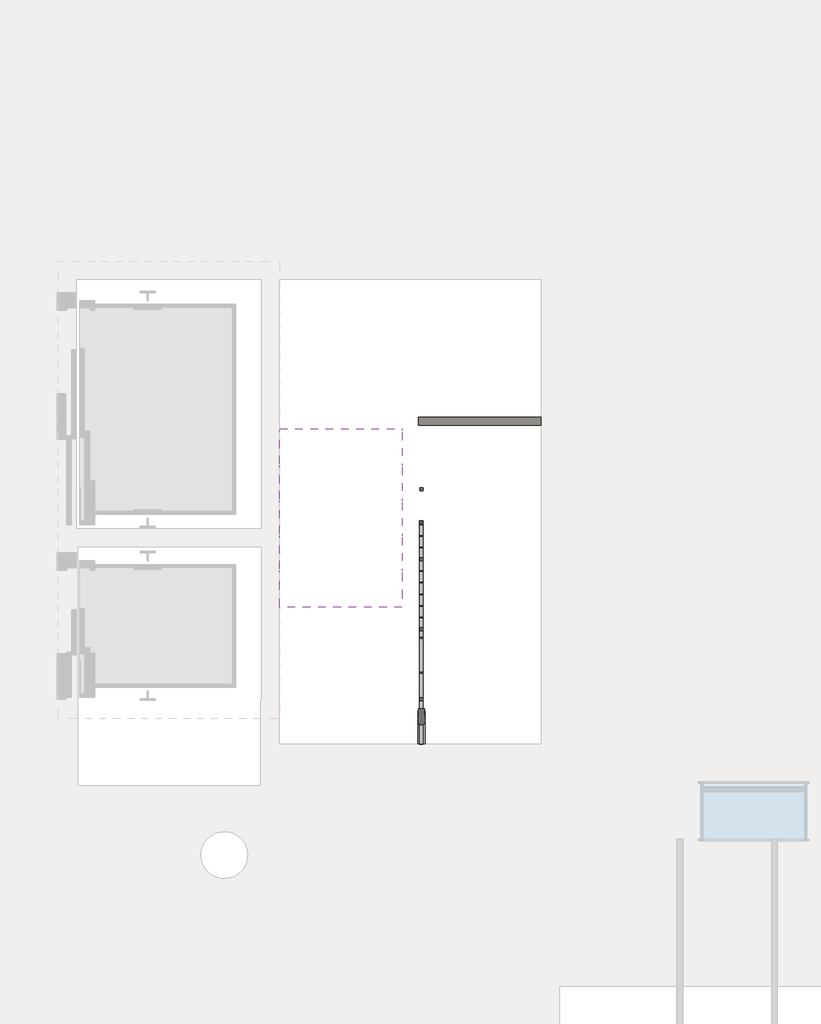
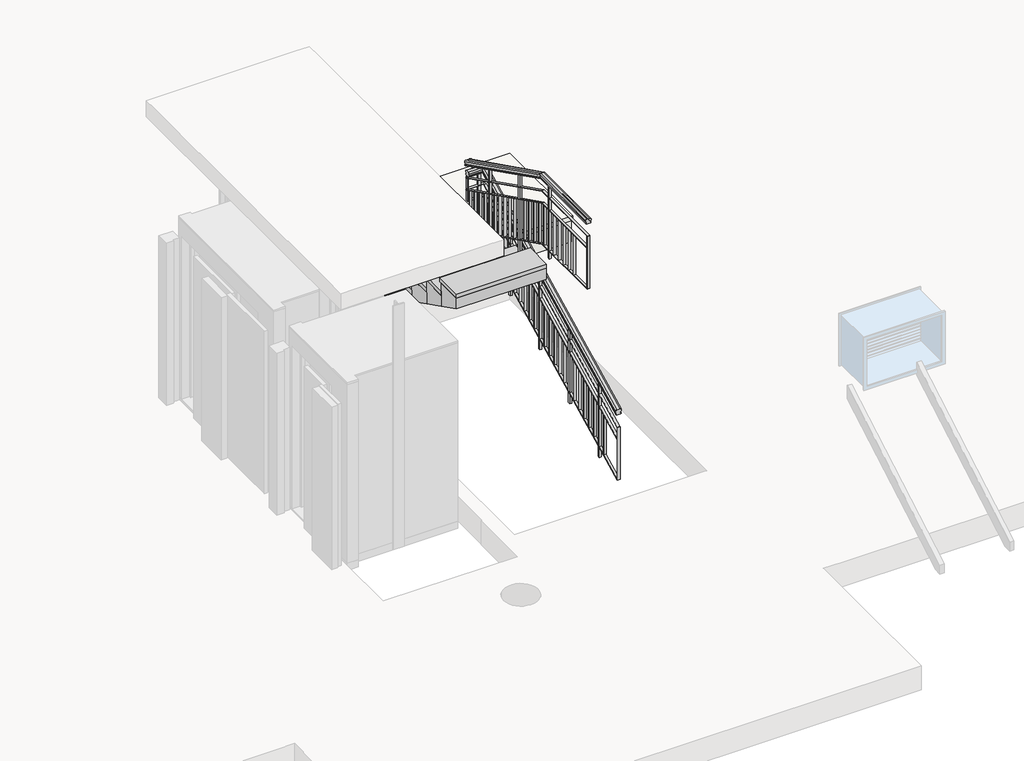
# One storey, part 3 of 6: 1 railing, 1 slab, 1 stair flight.
"""IFC4 building model written with IfcOpenShell, lengths in millimetres."""

from ifc_helpers import new_model, si_unit, frame, origin, place, context, project, spatial, polyline, circle_curve, ellipse_curve, outline, extrude, faceted_brep, element, save
from ifc_brep_helpers import plane_surface, cylinder_surface, advanced_brep

model = new_model("IFC4")

# Units and contexts
model_context = context("Model", 3, world=origin())
ifc_project = project(units=[si_unit("LENGTHUNIT", "METRE", prefix="MILLI")], contexts=[model_context])

# Site, building, storey
site = spatial("IfcSite", under=ifc_project)
building = spatial("IfcBuilding", under=site)
storey = spatial("IfcBuildingStorey", under=building, Elevation=36000.0)

# Railing
placement = place(None, origin())
element("IfcRailing", 1, at=placement, inside=storey, context=model_context, shape_type="SolidModel", body=[
    advanced_brep(
    [(-8330.662487, -9711.860294, 37050.0), (-8279.862487, -9711.860294, 37050.0), (-8279.862487, -9711.860294, 37057.4115128), (-8279.862487, -9711.860294, 37065.9140516), (-8279.862487, -9711.860294, 37071.2985475), (-8274.8285181, -9711.860294, 37100.5649186), (-8287.3, -9711.860294, 37117.4454004), (-8323.224974, -9711.860294, 37117.4454004), (-8335.6964559, -9711.860294, 37100.5649186), (-8330.662487, -9711.860294, 37071.2985475), (-8330.662487, -9711.860294, 37065.9140516), (-8330.662487, -9711.860294, 37057.4115128), (-8330.662487, -7017.785268, 38397.037513), (-8330.662487, -7017.785268, 38404.4490258), (-8330.662487, -7017.785268, 38412.9515647), (-8330.662487, -7017.785268, 38418.3360605), (-8335.6964559, -7017.785268, 38447.6024316), (-8323.224974, -7017.785268, 38464.4829134), (-8287.3, -7017.785268, 38464.4829134), (-8274.8285181, -7017.785268, 38447.6024316), (-8279.862487, -7017.785268, 38418.3360605), (-8279.862487, -7017.785268, 38412.9515647), (-8279.862487, -7017.785268, 38404.4490258), (-8279.862487, -7017.785268, 38397.037513)],
    [
        (0, 1),
        (1, 2),
        (2, 3, ellipse_curve(frame((-8279.862487, -9711.860294, 37061.6627822), z_axis=(0.0, -1.0, 0.0), x_axis=(0.0, 0.0, -1.0)), 4.2512694, 3.802451)),
        (3, 4),
        (4, 5),
        (5, 6, ellipse_curve(frame((-8287.3, -9711.860294, 37103.2463687), z_axis=(0.0, -1.0, 0.0), x_axis=(0.0, 0.0, -1.0)), 14.1990317, 12.7)),
        (6, 7),
        (7, 8, ellipse_curve(frame((-8323.224974, -9711.860294, 37103.2463687), z_axis=(0.0, -1.0, 0.0), x_axis=(0.0, 0.0, -1.0)), 14.1990317, 12.7)),
        (8, 9),
        (9, 10),
        (10, 11, ellipse_curve(frame((-8330.662487, -9711.860294, 37061.6627822), z_axis=(0.0, -1.0, 0.0), x_axis=(0.0, 0.0, -1.0)), 4.2512694, 3.802451)),
        (11, 0),
        (12, 13),
        (13, 14, ellipse_curve(frame((-8330.662487, -7017.785268, 38408.7002952), z_axis=(0.0, 1.0, 0.0), x_axis=(0.0, 0.0, -1.0)), 4.2512694, 3.802451)),
        (14, 15),
        (15, 16),
        (16, 17, ellipse_curve(frame((-8323.224974, -7017.785268, 38450.2838817), z_axis=(0.0, 1.0, 0.0), x_axis=(0.0, 0.0, -1.0)), 14.1990317, 12.7)),
        (17, 18),
        (18, 19, ellipse_curve(frame((-8287.3, -7017.785268, 38450.2838817), z_axis=(0.0, 1.0, 0.0), x_axis=(0.0, 0.0, -1.0)), 14.1990317, 12.7)),
        (19, 20),
        (20, 21),
        (21, 22, ellipse_curve(frame((-8279.862487, -7017.785268, 38408.7002952), z_axis=(0.0, 1.0, 0.0), x_axis=(0.0, 0.0, -1.0)), 4.2512694, 3.802451)),
        (22, 23),
        (23, 12),
        (0, 12),
        (23, 1),
        (22, 2),
        (21, 3),
        (20, 4),
        (19, 5),
        (18, 6),
        (17, 7),
        (16, 8),
        (15, 9),
        (14, 10),
        (13, 11),
    ],
    [
        plane_surface(frame((-8305.262487, -9711.860294, 37050.0), z_axis=(0.0, -1.0, 0.0), x_axis=(0.0, 0.0, 1.0))),
        plane_surface(frame((-8305.262487, -7017.785268, 38397.037513), z_axis=(0.0, 1.0, 0.0), x_axis=(0.0, 0.0, -1.0))),
        plane_surface(frame((-8330.662487, -9711.860294, 37050.0), z_axis=(0.0, 0.4472135954999575, -0.8944271909999161), x_axis=(0.0, 0.8944271909999161, 0.4472135954999575))),
        plane_surface(frame((-8279.862487, -9711.860294, 37050.0), z_axis=(1.0000000000000002, 0.0, 0.0), x_axis=(0.0, 0.8944271909999156, 0.4472135954999587))),
        cylinder_surface(frame((-8279.862487, -9716.5254069, 37059.3302258), z_axis=(0.0, -0.8944271909999159, -0.4472135954999581), x_axis=(-1.0, 0.0, 0.0)), 3.802451),
        plane_surface(frame((-8279.862487, -9711.860294, 37065.9140516), z_axis=(1.0, 0.0, 0.0), x_axis=(0.0, 0.8944271909999161, 0.4472135954999575))),
        plane_surface(frame((-8279.862487, -9711.860294, 37071.2985475), z_axis=(0.9820064469806699, 0.08445512191501503, -0.1689102438300329), x_axis=(0.0, 0.8944271909999156, 0.4472135954999587))),
        cylinder_surface(frame((-8287.3, -9733.1588415, 37092.597095), z_axis=(0.0, -0.8944271909999159, -0.4472135954999581), x_axis=(-1.0, 0.0, 0.0)), 12.7),
        plane_surface(frame((-8287.3, -9711.860294, 37117.4454004), z_axis=(0.0, -0.4472135954999575, 0.8944271909999161), x_axis=(0.0, 0.8944271909999161, 0.4472135954999575))),
        cylinder_surface(frame((-8323.224974, -9733.1588415, 37092.597095), z_axis=(0.0, -0.8944271909999159, -0.4472135954999581), x_axis=(-1.0, 0.0, 0.0)), 12.7),
        plane_surface(frame((-8335.6964559, -9711.860294, 37100.5649186), z_axis=(-0.9820064469806685, 0.08445512191501992, -0.16891024383003686), x_axis=(0.0, 0.8944271909999161, 0.4472135954999575))),
        plane_surface(frame((-8330.662487, -9711.860294, 37071.2985475), z_axis=(-1.0000000000000002, 0.0, 0.0), x_axis=(0.0, 0.8944271909999156, 0.4472135954999587))),
        cylinder_surface(frame((-8330.662487, -9716.5254069, 37059.3302258), z_axis=(0.0, -0.8944271909999159, -0.4472135954999581), x_axis=(-1.0, 0.0, 0.0)), 3.802451),
        plane_surface(frame((-8330.662487, -9711.860294, 37057.4115128), z_axis=(-1.0000000000000002, 0.0, 0.0), x_axis=(0.0, 0.8944271909999156, 0.4472135954999587))),
    ],
    [
        (0, [[1, 2, 3, 4, 5, 6, 7, 8, 9, 10, 11, 12]]),
        (1, [[13, 14, 15, 16, 17, 18, 19, 20, 21, 22, 23, 24]]),
        (2, [[-1, 25, -24, 26]]),
        (3, [[-2, -26, -23, 27]]),
        (4, [[-3, -27, -22, 28]]),
        (5, [[-4, -28, -21, 29]]),
        (6, [[-5, -29, -20, 30]]),
        (7, [[-6, -30, -19, 31]]),
        (8, [[-7, -31, -18, 32]]),
        (9, [[-8, -32, -17, 33]]),
        (10, [[-9, -33, -16, 34]]),
        (11, [[-10, -34, -15, 35]]),
        (12, [[-11, -35, -14, 36]]),
        (13, [[-12, -36, -13, -25]]),
    ],
),
    advanced_brep(
    [(-8274.6, -7012.522781, 38400.0), (-8274.6, -6961.722781, 38400.0), (-8274.6, -6961.722781, 38406.6290586), (-8274.6, -6961.722781, 38414.2339605), (-8274.6, -6961.722781, 38419.05), (-8274.6, -6956.6888122, 38445.2266381), (-8274.6, -6969.160294, 38460.325), (-8274.6, -7005.085268, 38460.325), (-8274.6, -7017.5567499, 38445.2266381), (-8274.6, -7012.522781, 38419.05), (-8274.6, -7012.522781, 38414.2339605), (-8274.6, -7012.522781, 38406.6290586), (-8494.737513, -7012.522781, 38400.0), (-8494.737513, -7012.522781, 38406.6290586), (-8494.737513, -7012.522781, 38414.2339605), (-8494.737513, -7012.522781, 38419.05), (-8494.737513, -7017.5567499, 38445.2266381), (-8494.737513, -7005.085268, 38460.325), (-8494.737513, -6969.160294, 38460.325), (-8494.737513, -6956.6888122, 38445.2266381), (-8494.737513, -6961.722781, 38419.05), (-8494.737513, -6961.722781, 38414.2339605), (-8494.737513, -6961.722781, 38406.6290586), (-8494.737513, -6961.722781, 38400.0)],
    [
        (0, 1),
        (1, 2),
        (2, 3, circle_curve(frame((-8274.6, -6961.722781, 38410.4315095), z_axis=(1.0, 0.0, 0.0), x_axis=(0.0, -1.0, 0.0)), 3.802451)),
        (3, 4),
        (4, 5),
        (5, 6, circle_curve(frame((-8274.6, -6969.160294, 38447.625), z_axis=(1.0, 0.0, 0.0), x_axis=(0.0, -1.0, 0.0)), 12.7)),
        (6, 7),
        (7, 8, circle_curve(frame((-8274.6, -7005.085268, 38447.625), z_axis=(1.0, 0.0, 0.0), x_axis=(0.0, -1.0, 0.0)), 12.7)),
        (8, 9),
        (9, 10),
        (10, 11, circle_curve(frame((-8274.6, -7012.522781, 38410.4315095), z_axis=(1.0, 0.0, 0.0), x_axis=(0.0, -1.0, 0.0)), 3.802451)),
        (11, 0),
        (12, 13),
        (13, 14, circle_curve(frame((-8494.737513, -7012.522781, 38410.4315095), z_axis=(-1.0, 0.0, 0.0), x_axis=(0.0, -1.0, 0.0)), 3.802451)),
        (14, 15),
        (15, 16),
        (16, 17, circle_curve(frame((-8494.737513, -7005.085268, 38447.625), z_axis=(-1.0, 0.0, 0.0), x_axis=(0.0, -1.0, 0.0)), 12.7)),
        (17, 18),
        (18, 19, circle_curve(frame((-8494.737513, -6969.160294, 38447.625), z_axis=(-1.0, 0.0, 0.0), x_axis=(0.0, -1.0, 0.0)), 12.7)),
        (19, 20),
        (20, 21),
        (21, 22, circle_curve(frame((-8494.737513, -6961.722781, 38410.4315095), z_axis=(-1.0, 0.0, 0.0), x_axis=(0.0, -1.0, 0.0)), 3.802451)),
        (22, 23),
        (23, 12),
        (0, 12),
        (23, 1),
        (22, 2),
        (21, 3),
        (20, 4),
        (19, 5),
        (18, 6),
        (17, 7),
        (16, 8),
        (15, 9),
        (14, 10),
        (13, 11),
    ],
    [
        plane_surface(frame((-8274.6, -6987.122781, 38400.0), z_axis=(1.0, 0.0, 0.0), x_axis=(0.0, 1.0, 0.0))),
        plane_surface(frame((-8494.737513, -6987.122781, 38400.0), z_axis=(-1.0, 0.0, 0.0), x_axis=(0.0, -1.0, 0.0))),
        plane_surface(frame((-8274.6, -7012.522781, 38400.0), z_axis=(0.0, 0.0, -1.0), x_axis=(-1.0, 0.0, 0.0))),
        plane_surface(frame((-8274.6, -6961.722781, 38400.0), z_axis=(0.0, 1.0, 0.0), x_axis=(-1.0, 0.0, 0.0))),
        cylinder_surface(frame((-8274.6, -6961.722781, 38410.4315095), z_axis=(1.0, 0.0, 0.0), x_axis=(0.0, -1.0, 0.0)), 3.802451),
        plane_surface(frame((-8274.6, -6961.722781, 38414.2339605), z_axis=(0.0, 1.0, 0.0), x_axis=(-1.0, 0.0, 0.0))),
        plane_surface(frame((-8274.6, -6961.722781, 38419.05), z_axis=(0.0, 0.9820064469806695, -0.18884739365000902), x_axis=(-1.0, 0.0, 0.0))),
        cylinder_surface(frame((-8274.6, -6969.160294, 38447.625), z_axis=(1.0, 0.0, 0.0), x_axis=(0.0, -1.0, 0.0)), 12.7),
        plane_surface(frame((-8274.6, -6969.160294, 38460.325), z_axis=(0.0, 0.0, 1.0), x_axis=(-1.0, 0.0, 0.0))),
        cylinder_surface(frame((-8274.6, -7005.085268, 38447.625), z_axis=(1.0, 0.0, 0.0), x_axis=(0.0, -1.0, 0.0)), 12.7),
        plane_surface(frame((-8274.6, -7017.5567499, 38445.2266381), z_axis=(0.0, -0.9820064469806687, -0.18884739365001346), x_axis=(-1.0, 0.0, 0.0))),
        plane_surface(frame((-8274.6, -7012.522781, 38419.05), z_axis=(0.0, -1.0, 0.0), x_axis=(-1.0, 0.0, 0.0))),
        cylinder_surface(frame((-8274.6, -7012.522781, 38410.4315095), z_axis=(1.0, 0.0, 0.0), x_axis=(0.0, -1.0, 0.0)), 3.802451),
        plane_surface(frame((-8274.6, -7012.522781, 38406.6290586), z_axis=(0.0, -1.0, 0.0), x_axis=(-1.0, 0.0, 0.0))),
    ],
    [
        (0, [[1, 2, 3, 4, 5, 6, 7, 8, 9, 10, 11, 12]]),
        (1, [[13, 14, 15, 16, 17, 18, 19, 20, 21, 22, 23, 24]]),
        (2, [[-1, 25, -24, 26]]),
        (3, [[-2, -26, -23, 27]]),
        (4, [[-3, -27, -22, 28]]),
        (5, [[-4, -28, -21, 29]]),
        (6, [[-5, -29, -20, 30]]),
        (7, [[-6, -30, -19, 31]]),
        (8, [[-7, -31, -18, 32]]),
        (9, [[-8, -32, -17, 33]]),
        (10, [[-9, -33, -16, 34]]),
        (11, [[-10, -34, -15, 35]]),
        (12, [[-11, -35, -14, 36]]),
        (13, [[-12, -36, -13, -25]]),
    ],
),
    advanced_brep(
    [(-8469.337513, -6987.122781, 38537.6312435), (-8520.137513, -6987.122781, 38537.6312435), (-8520.137513, -6987.122781, 38545.0427563), (-8520.137513, -6987.122781, 38553.5452951), (-8520.137513, -6987.122781, 38558.929791), (-8525.1714819, -6987.122781, 38588.1961621), (-8512.7, -6987.122781, 38605.0766439), (-8476.775026, -6987.122781, 38605.0766439), (-8464.3035441, -6987.122781, 38588.1961621), (-8469.337513, -6987.122781, 38558.929791), (-8469.337513, -6987.122781, 38553.5452951), (-8469.337513, -6987.122781, 38545.0427563), (-8469.337513, -8511.860294, 39300.0), (-8520.137513, -8511.860294, 39300.0), (-8520.137513, -8510.2953856, 39306.6290586), (-8520.137513, -8508.5001118, 39314.2339605), (-8520.137513, -8507.3631991, 39319.05), (-8525.1714819, -8501.1837331, 39345.2266381), (-8512.7, -8497.6194933, 39360.325), (-8476.775026, -8497.6194933, 39360.325), (-8464.3035441, -8501.1837331, 39345.2266381), (-8469.337513, -8507.3631991, 39319.05), (-8469.337513, -8508.5001118, 39314.2339605), (-8469.337513, -8510.2953856, 39306.6290586), (-8469.337513, -9431.860294, 39300.0), (-8469.337513, -9431.860294, 39306.6290586), (-8469.337513, -9431.860294, 39314.2339605), (-8469.337513, -9431.860294, 39319.05), (-8464.3035441, -9431.860294, 39345.2266381), (-8476.775026, -9431.860294, 39360.325), (-8512.7, -9431.860294, 39360.325), (-8525.1714819, -9431.860294, 39345.2266381), (-8520.137513, -9431.860294, 39319.05), (-8520.137513, -9431.860294, 39314.2339605), (-8520.137513, -9431.860294, 39306.6290586), (-8520.137513, -9431.860294, 39300.0)],
    [
        (0, 1),
        (1, 2),
        (2, 3, ellipse_curve(frame((-8520.137513, -6987.122781, 38549.2940257), z_axis=(0.0, 1.0, 0.0), x_axis=(0.0, 0.0, -1.0)), 4.2512694, 3.802451)),
        (3, 4),
        (4, 5),
        (5, 6, ellipse_curve(frame((-8512.7, -6987.122781, 38590.8776122), z_axis=(0.0, 1.0, 0.0), x_axis=(0.0, 0.0, -1.0)), 14.1990317, 12.7)),
        (6, 7),
        (7, 8, ellipse_curve(frame((-8476.775026, -6987.122781, 38590.8776122), z_axis=(0.0, 1.0, 0.0), x_axis=(0.0, 0.0, -1.0)), 14.1990317, 12.7)),
        (8, 9),
        (9, 10),
        (10, 11, ellipse_curve(frame((-8469.337513, -6987.122781, 38549.2940257), z_axis=(0.0, 1.0, 0.0), x_axis=(0.0, 0.0, -1.0)), 4.2512694, 3.802451)),
        (11, 0),
        (0, 12),
        (12, 13),
        (13, 1),
        (13, 14),
        (14, 2),
        (14, 15, ellipse_curve(frame((-8520.137513, -8509.3977487, 39310.4315095), z_axis=(0.0, 0.9732489894677305, -0.22975292054735966), x_axis=(0.0, -0.2297529205473596, -0.9732489894677305)), 3.9069663, 3.802451)),
        (15, 3),
        (15, 16),
        (16, 4),
        (16, 17),
        (17, 5),
        (17, 18, ellipse_curve(frame((-8512.7, -8500.6175566, 39347.625), z_axis=(0.0, 0.9732489894677305, -0.22975292054735966), x_axis=(0.0, -0.2297529205473596, -0.9732489894677305)), 13.049076, 12.7)),
        (18, 6),
        (18, 19),
        (19, 7),
        (19, 20, ellipse_curve(frame((-8476.775026, -8500.6175566, 39347.625), z_axis=(0.0, 0.9732489894677305, -0.22975292054735966), x_axis=(0.0, -0.2297529205473596, -0.9732489894677305)), 13.049076, 12.7)),
        (20, 8),
        (20, 21),
        (21, 9),
        (21, 22),
        (22, 10),
        (22, 23, ellipse_curve(frame((-8469.337513, -8509.3977487, 39310.4315095), z_axis=(0.0, 0.9732489894677305, -0.22975292054735966), x_axis=(0.0, -0.2297529205473596, -0.9732489894677305)), 3.9069663, 3.802451)),
        (23, 11),
        (23, 12),
        (24, 25),
        (25, 26, circle_curve(frame((-8469.337513, -9431.860294, 39310.4315095), z_axis=(0.0, -1.0, 0.0), x_axis=(1.0, 0.0, 0.0)), 3.802451)),
        (26, 27),
        (27, 28),
        (28, 29, circle_curve(frame((-8476.775026, -9431.860294, 39347.625), z_axis=(0.0, -1.0, 0.0), x_axis=(1.0, 0.0, 0.0)), 12.7)),
        (29, 30),
        (30, 31, circle_curve(frame((-8512.7, -9431.860294, 39347.625), z_axis=(0.0, -1.0, 0.0), x_axis=(1.0, 0.0, 0.0)), 12.7)),
        (31, 32),
        (32, 33),
        (33, 34, circle_curve(frame((-8520.137513, -9431.860294, 39310.4315095), z_axis=(0.0, -1.0, 0.0), x_axis=(1.0, 0.0, 0.0)), 3.802451)),
        (34, 35),
        (35, 24),
        (12, 24),
        (35, 13),
        (34, 14),
        (33, 15),
        (32, 16),
        (31, 17),
        (30, 18),
        (29, 19),
        (28, 20),
        (27, 21),
        (26, 22),
        (25, 23),
    ],
    [
        plane_surface(frame((-8494.737513, -6987.122781, 38537.6312435), z_axis=(0.0, 1.0, 0.0), x_axis=(0.0, 0.0, -1.0))),
        plane_surface(frame((-8469.337513, -6987.122781, 38537.6312435), z_axis=(0.0, -0.44721359549995465, -0.8944271909999176), x_axis=(0.0, -0.8944271909999176, 0.44721359549995465))),
        plane_surface(frame((-8520.137513, -6987.122781, 38537.6312435), z_axis=(-1.0000000000000002, 0.0, 0.0), x_axis=(0.0, -0.8944271909999176, 0.44721359549995465))),
        cylinder_surface(frame((-8520.137513, -6982.4576681, 38546.9614693), z_axis=(0.0, 0.8944271909999173, -0.44721359549995515), x_axis=(1.0, 0.0, 0.0)), 3.802451),
        plane_surface(frame((-8520.137513, -6987.122781, 38553.5452951), z_axis=(-1.0000000000000002, 0.0, 0.0), x_axis=(0.0, -0.8944271909999187, 0.4472135954999524))),
        plane_surface(frame((-8520.137513, -6987.122781, 38558.929791), z_axis=(-0.9820064469806697, -0.08445512191501378, -0.1689102438300332), x_axis=(0.0, -0.8944271909999174, 0.4472135954999549))),
        cylinder_surface(frame((-8512.7, -6965.8242335, 38580.2283385), z_axis=(0.0, 0.8944271909999173, -0.44721359549995515), x_axis=(1.0, 0.0, 0.0)), 12.7),
        plane_surface(frame((-8512.7, -6987.122781, 38605.0766439), z_axis=(0.0, 0.4472135954999539, 0.894427190999918), x_axis=(0.0, -0.894427190999918, 0.4472135954999539))),
        cylinder_surface(frame((-8476.775026, -6965.8242335, 38580.2283385), z_axis=(0.0, 0.8944271909999173, -0.44721359549995515), x_axis=(1.0, 0.0, 0.0)), 12.7),
        plane_surface(frame((-8464.3035441, -6987.122781, 38588.1961621), z_axis=(0.9820064469806685, -0.0844551219150206, -0.1689102438300369), x_axis=(0.0, -0.8944271909999157, 0.4472135954999582))),
        plane_surface(frame((-8469.337513, -6987.122781, 38558.929791), z_axis=(1.0, 0.0, 0.0), x_axis=(0.0, -0.8944271909999174, 0.4472135954999549))),
        cylinder_surface(frame((-8469.337513, -6982.4576681, 38546.9614693), z_axis=(0.0, 0.8944271909999173, -0.44721359549995515), x_axis=(1.0, 0.0, 0.0)), 3.802451),
        plane_surface(frame((-8469.337513, -6987.122781, 38545.0427563), z_axis=(1.0, 0.0, 0.0), x_axis=(0.0, -0.8944271909999165, 0.4472135954999567))),
        plane_surface(frame((-8494.737513, -9431.860294, 39300.0), z_axis=(0.0, -1.0, 0.0), x_axis=(0.0, 0.0, -1.0))),
        plane_surface(frame((-8469.337513, -8511.860294, 39300.0), z_axis=(0.0, 0.0, -1.0), x_axis=(0.0, -1.0, 0.0))),
        plane_surface(frame((-8520.137513, -8511.860294, 39300.0), z_axis=(-1.0, 0.0, 0.0), x_axis=(0.0, -1.0, 0.0))),
        cylinder_surface(frame((-8520.137513, -8511.860294, 39310.4315095), z_axis=(0.0, 1.0, 0.0), x_axis=(1.0, 0.0, 0.0)), 3.802451),
        plane_surface(frame((-8520.137513, -8508.5001118, 39314.2339605), z_axis=(-1.0, 0.0, 0.0), x_axis=(0.0, -1.0, 0.0))),
        plane_surface(frame((-8520.137513, -8507.3631991, 39319.05), z_axis=(-0.9820064469806696, 0.0, -0.18884739365000913), x_axis=(0.0, -1.0, 0.0))),
        cylinder_surface(frame((-8512.7, -8511.860294, 39347.625), z_axis=(0.0, 1.0, 0.0), x_axis=(1.0, 0.0, 0.0)), 12.7),
        plane_surface(frame((-8512.7, -8497.6194933, 39360.325), z_axis=(0.0, 0.0, 1.0), x_axis=(0.0, -1.0, 0.0))),
        cylinder_surface(frame((-8476.775026, -8511.860294, 39347.625), z_axis=(0.0, 1.0, 0.0), x_axis=(1.0, 0.0, 0.0)), 12.7),
        plane_surface(frame((-8464.3035441, -8501.1837331, 39345.2266381), z_axis=(0.9820064469806687, 0.0, -0.18884739365001335), x_axis=(0.0, -1.0, 0.0))),
        plane_surface(frame((-8469.337513, -8507.3631991, 39319.05), z_axis=(1.0, 0.0, 0.0), x_axis=(0.0, -1.0, 0.0))),
        cylinder_surface(frame((-8469.337513, -8511.860294, 39310.4315095), z_axis=(0.0, 1.0, 0.0), x_axis=(1.0, 0.0, 0.0)), 3.802451),
        plane_surface(frame((-8469.337513, -8510.2953856, 39306.6290586), z_axis=(1.0, 0.0, 0.0), x_axis=(0.0, -1.0, 0.0))),
    ],
    [
        (0, [[1, 2, 3, 4, 5, 6, 7, 8, 9, 10, 11, 12]]),
        (1, [[-1, 13, 14, 15]]),
        (2, [[-2, -15, 16, 17]]),
        (3, [[-3, -17, 18, 19]]),
        (4, [[-4, -19, 20, 21]]),
        (5, [[-5, -21, 22, 23]]),
        (6, [[-6, -23, 24, 25]]),
        (7, [[-7, -25, 26, 27]]),
        (8, [[-8, -27, 28, 29]]),
        (9, [[-9, -29, 30, 31]]),
        (10, [[-10, -31, 32, 33]]),
        (11, [[-11, -33, 34, 35]]),
        (12, [[-12, -35, 36, -13]]),
        (13, [[37, 38, 39, 40, 41, 42, 43, 44, 45, 46, 47, 48]]),
        (14, [[-14, 49, -48, 50]]),
        (15, [[-16, -50, -47, 51]]),
        (16, [[-18, -51, -46, 52]]),
        (17, [[-20, -52, -45, 53]]),
        (18, [[-22, -53, -44, 54]]),
        (19, [[-24, -54, -43, 55]]),
        (20, [[-26, -55, -42, 56]]),
        (21, [[-28, -56, -41, 57]]),
        (22, [[-30, -57, -40, 58]]),
        (23, [[-32, -58, -39, 59]]),
        (24, [[-34, -59, -38, 60]]),
        (25, [[-36, -60, -37, -49]]),
    ],
),
    faceted_brep([(-8319.6, -9711.860294, 36750.0), (-8319.6, -9711.860294, 36744.4098301), (-8289.6, -9711.860294, 36744.4098301), (-8289.6, -9711.860294, 36750.0), (-8319.6, -7011.860294, 38100.0), (-8319.6, -7010.6799541, 38095.0), (-8289.6, -7010.6799541, 38095.0), (-8289.6, -7011.860294, 38100.0), (-8319.6, -7001.460294, 38095.0), (-8319.6, -7001.460294, 38100.0), (-8492.9, -7001.460294, 38100.0), (-8497.9, -7001.460294, 38095.0), (-8289.6, -6971.460294, 38095.0), (-8497.9, -6971.460294, 38095.0), (-8289.6, -6971.460294, 38100.0), (-8492.9, -6971.460294, 38100.0), (-8492.9, -7001.460294, 38225.5294902), (-8492.9, -6971.460294, 38244.0705098), (-8497.9, -6971.460294, 38244.0705098), (-8497.9, -7001.460294, 38225.5294902)], [[[0, 1, 2, 3]], [[1, 0, 4, 5]], [[2, 1, 5, 6]], [[3, 2, 6, 7]], [[0, 3, 7, 4]], [[8, 9, 10, 11]], [[12, 8, 11, 13]], [[14, 12, 13, 15]], [[9, 14, 15, 10]], [[5, 4, 9, 8]], [[6, 5, 8, 12]], [[7, 6, 12, 14]], [[4, 7, 14, 9]], [[16, 17, 18, 19]], [[11, 10, 16, 19]], [[13, 11, 19, 18]], [[15, 13, 18, 17]], [[10, 15, 17, 16]]]),
    faceted_brep([(-8480.4, -6984.2242261, 38236.181966), (-8480.4, -6989.2242261, 38233.0917961), (-8510.4, -6989.2242261, 38233.0917961), (-8510.4, -6984.2242261, 38236.181966), (-8480.4, -8511.860294, 39000.0), (-8480.4, -8513.0406339, 38995.0), (-8510.4, -8513.0406339, 38995.0), (-8510.4, -8511.860294, 39000.0), (-8480.4, -9431.860294, 39000.0), (-8510.4, -9431.860294, 39000.0), (-8510.4, -9431.860294, 38995.0), (-8480.4, -9431.860294, 38995.0)], [[[0, 1, 2, 3]], [[1, 0, 4, 5]], [[2, 1, 5, 6]], [[3, 2, 6, 7]], [[0, 3, 7, 4]], [[8, 9, 10, 11]], [[5, 4, 8, 11]], [[6, 5, 11, 10]], [[7, 6, 10, 9]], [[4, 7, 9, 8]]]),
    faceted_brep([(-8319.6, -9711.860294, 36250.0), (-8319.6, -9711.860294, 36244.4098301), (-8289.6, -9711.860294, 36244.4098301), (-8289.6, -9711.860294, 36250.0), (-8319.6, -7011.860294, 37600.0), (-8319.6, -7010.6799541, 37595.0), (-8289.6, -7010.6799541, 37595.0), (-8289.6, -7011.860294, 37600.0), (-8319.6, -7001.460294, 37595.0), (-8319.6, -7001.460294, 37600.0), (-8492.9, -7001.460294, 37600.0), (-8497.9, -7001.460294, 37595.0), (-8289.6, -6971.460294, 37595.0), (-8497.9, -6971.460294, 37595.0), (-8289.6, -6971.460294, 37600.0), (-8492.9, -6971.460294, 37600.0), (-8492.9, -7001.460294, 37725.5294902), (-8492.9, -6971.460294, 37744.0705098), (-8497.9, -6971.460294, 37744.0705098), (-8497.9, -7001.460294, 37725.5294902)], [[[0, 1, 2, 3]], [[1, 0, 4, 5]], [[2, 1, 5, 6]], [[3, 2, 6, 7]], [[0, 3, 7, 4]], [[8, 9, 10, 11]], [[12, 8, 11, 13]], [[14, 12, 13, 15]], [[9, 14, 15, 10]], [[5, 4, 9, 8]], [[6, 5, 8, 12]], [[7, 6, 12, 14]], [[4, 7, 14, 9]], [[16, 17, 18, 19]], [[11, 10, 16, 19]], [[13, 11, 19, 18]], [[15, 13, 18, 17]], [[10, 15, 17, 16]]]),
    faceted_brep([(-8480.4, -6984.2242261, 37736.181966), (-8480.4, -6989.2242261, 37733.0917961), (-8510.4, -6989.2242261, 37733.0917961), (-8510.4, -6984.2242261, 37736.181966), (-8480.4, -8511.860294, 38500.0), (-8480.4, -8513.0406339, 38495.0), (-8510.4, -8513.0406339, 38495.0), (-8510.4, -8511.860294, 38500.0), (-8480.4, -9431.860294, 38500.0), (-8510.4, -9431.860294, 38500.0), (-8510.4, -9431.860294, 38495.0), (-8480.4, -9431.860294, 38495.0)], [[[0, 1, 2, 3]], [[1, 0, 4, 5]], [[2, 1, 5, 6]], [[3, 2, 6, 7]], [[0, 3, 7, 4]], [[8, 9, 10, 11]], [[5, 4, 8, 11]], [[6, 5, 11, 10]], [[7, 6, 10, 9]], [[4, 7, 9, 8]]]),
    faceted_brep([(-8319.6, -9711.860294, 36900.0), (-8319.6, -9711.860294, 36894.4098301), (-8289.6, -9711.860294, 36894.4098301), (-8289.6, -9711.860294, 36900.0), (-8319.6, -7011.860294, 38250.0), (-8319.6, -7010.6799541, 38245.0), (-8289.6, -7010.6799541, 38245.0), (-8289.6, -7011.860294, 38250.0), (-8319.6, -7001.460294, 38245.0), (-8319.6, -7001.460294, 38250.0), (-8492.9, -7001.460294, 38250.0), (-8497.9, -7001.460294, 38245.0), (-8289.6, -6971.460294, 38245.0), (-8497.9, -6971.460294, 38245.0), (-8289.6, -6971.460294, 38250.0), (-8492.9, -6971.460294, 38250.0), (-8492.9, -7001.460294, 38375.5294902), (-8492.9, -6971.460294, 38394.0705098), (-8497.9, -6971.460294, 38394.0705098), (-8497.9, -7001.460294, 38375.5294902)], [[[0, 1, 2, 3]], [[1, 0, 4, 5]], [[2, 1, 5, 6]], [[3, 2, 6, 7]], [[0, 3, 7, 4]], [[8, 9, 10, 11]], [[12, 8, 11, 13]], [[14, 12, 13, 15]], [[9, 14, 15, 10]], [[5, 4, 9, 8]], [[6, 5, 8, 12]], [[7, 6, 12, 14]], [[4, 7, 14, 9]], [[16, 17, 18, 19]], [[11, 10, 16, 19]], [[13, 11, 19, 18]], [[15, 13, 18, 17]], [[10, 15, 17, 16]]]),
    faceted_brep([(-8480.4, -6984.2242261, 38386.181966), (-8480.4, -6989.2242261, 38383.0917961), (-8510.4, -6989.2242261, 38383.0917961), (-8510.4, -6984.2242261, 38386.181966), (-8480.4, -8511.860294, 39150.0), (-8480.4, -8513.0406339, 39145.0), (-8510.4, -8513.0406339, 39145.0), (-8510.4, -8511.860294, 39150.0), (-8480.4, -9431.860294, 39150.0), (-8510.4, -9431.860294, 39150.0), (-8510.4, -9431.860294, 39145.0), (-8480.4, -9431.860294, 39145.0)], [[[0, 1, 2, 3]], [[1, 0, 4, 5]], [[2, 1, 5, 6]], [[3, 2, 6, 7]], [[0, 3, 7, 4]], [[8, 9, 10, 11]], [[5, 4, 8, 11]], [[6, 5, 11, 10]], [[7, 6, 10, 9]], [[4, 7, 9, 8]]]),
    extrude(outline(polyline([(-8510.4, -9148.560294), (-8480.4, -9148.560294), (-8480.4, -9153.560294), (-8510.4, -9153.560294), (-8510.4, -9148.560294)])), frame((0.0, 0.0, 38500.0), z_axis=(0.0, 0.0, 1.0), x_axis=(1.0, 0.0, 0.0)), (0.0, 0.0, 1.0), 495.0),
    extrude(outline(polyline([(-8510.4, -9048.560294), (-8480.4, -9048.560294), (-8480.4, -9053.560294), (-8510.4, -9053.560294), (-8510.4, -9048.560294)])), frame((0.0, 0.0, 38500.0), z_axis=(0.0, 0.0, 1.0), x_axis=(1.0, 0.0, 0.0)), (0.0, 0.0, 1.0), 495.0),
    extrude(outline(polyline([(-8510.4, -8948.560294), (-8480.4, -8948.560294), (-8480.4, -8953.560294), (-8510.4, -8953.560294), (-8510.4, -8948.560294)])), frame((0.0, 0.0, 38500.0), z_axis=(0.0, 0.0, 1.0), x_axis=(1.0, 0.0, 0.0)), (0.0, 0.0, 1.0), 495.0),
    extrude(outline(polyline([(-8510.4, -8848.560294), (-8480.4, -8848.560294), (-8480.4, -8853.560294), (-8510.4, -8853.560294), (-8510.4, -8848.560294)])), frame((0.0, 0.0, 38500.0), z_axis=(0.0, 0.0, 1.0), x_axis=(1.0, 0.0, 0.0)), (0.0, 0.0, 1.0), 495.0),
    extrude(outline(polyline([(-8510.4, -8748.560294), (-8480.4, -8748.560294), (-8480.4, -8753.560294), (-8510.4, -8753.560294), (-8510.4, -8748.560294)])), frame((0.0, 0.0, 38500.0), z_axis=(0.0, 0.0, 1.0), x_axis=(1.0, 0.0, 0.0)), (0.0, 0.0, 1.0), 495.0),
    extrude(outline(polyline([(-8482.9, -8638.560294), (-8482.9, -8663.560294), (-8507.9, -8663.560294), (-8507.9, -8638.560294), (-8482.9, -8638.560294)])), frame((0.0, 0.0, 38400.0), z_axis=(0.0, 0.0, 1.0), x_axis=(1.0, 0.0, 0.0)), (0.0, 0.0, 1.0), 900.0),
    extrude(outline(polyline([(-8510.4, -8548.560294), (-8480.4, -8548.560294), (-8480.4, -8553.560294), (-8510.4, -8553.560294), (-8510.4, -8548.560294)])), frame((0.0, 0.0, 38500.0), z_axis=(0.0, 0.0, 1.0), x_axis=(1.0, 0.0, 0.0)), (0.0, 0.0, 1.0), 495.0),
    extrude(outline(polyline([(-8453.560294, 38470.85), (-8453.560294, 38965.2598301), (-8448.560294, 38962.7598301), (-8448.560294, 38468.35), (-8453.560294, 38470.85)])), frame((-8510.4, 0.0, 0.0), z_axis=(1.0, 0.0, 0.0), x_axis=(0.0, 1.0, 0.0)), (0.0, 0.0, 1.0), 30.0),
    extrude(outline(polyline([(-8353.560294, 38420.85), (-8353.560294, 38915.2598301), (-8348.560294, 38912.7598301), (-8348.560294, 38418.35), (-8353.560294, 38420.85)])), frame((-8510.4, 0.0, 0.0), z_axis=(1.0, 0.0, 0.0), x_axis=(0.0, 1.0, 0.0)), (0.0, 0.0, 1.0), 30.0),
    extrude(outline(polyline([(-8253.560294, 38370.85), (-8253.560294, 38865.2598301), (-8248.560294, 38862.7598301), (-8248.560294, 38368.35), (-8253.560294, 38370.85)])), frame((-8510.4, 0.0, 0.0), z_axis=(1.0, 0.0, 0.0), x_axis=(0.0, 1.0, 0.0)), (0.0, 0.0, 1.0), 30.0),
    extrude(outline(polyline([(-8153.560294, 38320.85), (-8153.560294, 38815.2598301), (-8148.560294, 38812.7598301), (-8148.560294, 38318.35), (-8153.560294, 38320.85)])), frame((-8510.4, 0.0, 0.0), z_axis=(1.0, 0.0, 0.0), x_axis=(0.0, 1.0, 0.0)), (0.0, 0.0, 1.0), 30.0),
    extrude(outline(polyline([(-8038.560294, 38100.0), (-8063.560294, 38100.0), (-8063.560294, 39075.85), (-8038.560294, 39063.35), (-8038.560294, 38100.0)])), frame((-8507.9, 0.0, 0.0), z_axis=(1.0, 0.0, 0.0), x_axis=(0.0, 1.0, 0.0)), (0.0, 0.0, 1.0), 25.0),
    extrude(outline(polyline([(-7953.560294, 38220.85), (-7953.560294, 38715.2598301), (-7948.560294, 38712.7598301), (-7948.560294, 38218.35), (-7953.560294, 38220.85)])), frame((-8510.4, 0.0, 0.0), z_axis=(1.0, 0.0, 0.0), x_axis=(0.0, 1.0, 0.0)), (0.0, 0.0, 1.0), 30.0),
    extrude(outline(polyline([(-7853.560294, 38170.85), (-7853.560294, 38665.2598301), (-7848.560294, 38662.7598301), (-7848.560294, 38168.35), (-7853.560294, 38170.85)])), frame((-8510.4, 0.0, 0.0), z_axis=(1.0, 0.0, 0.0), x_axis=(0.0, 1.0, 0.0)), (0.0, 0.0, 1.0), 30.0),
    extrude(outline(polyline([(-7753.560294, 38120.85), (-7753.560294, 38615.2598301), (-7748.560294, 38612.7598301), (-7748.560294, 38118.35), (-7753.560294, 38120.85)])), frame((-8510.4, 0.0, 0.0), z_axis=(1.0, 0.0, 0.0), x_axis=(0.0, 1.0, 0.0)), (0.0, 0.0, 1.0), 30.0),
    extrude(outline(polyline([(-7653.560294, 38070.85), (-7653.560294, 38565.2598301), (-7648.560294, 38562.7598301), (-7648.560294, 38068.35), (-7653.560294, 38070.85)])), frame((-8510.4, 0.0, 0.0), z_axis=(1.0, 0.0, 0.0), x_axis=(0.0, 1.0, 0.0)), (0.0, 0.0, 1.0), 30.0),
    extrude(outline(polyline([(-7553.560294, 38020.85), (-7553.560294, 38515.2598301), (-7548.560294, 38512.7598301), (-7548.560294, 38018.35), (-7553.560294, 38020.85)])), frame((-8510.4, 0.0, 0.0), z_axis=(1.0, 0.0, 0.0), x_axis=(0.0, 1.0, 0.0)), (0.0, 0.0, 1.0), 30.0),
    extrude(outline(polyline([(-7438.560294, 37800.0), (-7463.560294, 37800.0), (-7463.560294, 38775.85), (-7438.560294, 38763.35), (-7438.560294, 37800.0)])), frame((-8507.9, 0.0, 0.0), z_axis=(1.0, 0.0, 0.0), x_axis=(0.0, 1.0, 0.0)), (0.0, 0.0, 1.0), 25.0),
    extrude(outline(polyline([(-7353.560294, 37920.85), (-7353.560294, 38415.2598301), (-7348.560294, 38412.7598301), (-7348.560294, 37918.35), (-7353.560294, 37920.85)])), frame((-8510.4, 0.0, 0.0), z_axis=(1.0, 0.0, 0.0), x_axis=(0.0, 1.0, 0.0)), (0.0, 0.0, 1.0), 30.0),
    extrude(outline(polyline([(-7253.560294, 37870.85), (-7253.560294, 38365.2598301), (-7248.560294, 38362.7598301), (-7248.560294, 37868.35), (-7253.560294, 37870.85)])), frame((-8510.4, 0.0, 0.0), z_axis=(1.0, 0.0, 0.0), x_axis=(0.0, 1.0, 0.0)), (0.0, 0.0, 1.0), 30.0),
    extrude(outline(polyline([(-7153.560294, 37820.85), (-7153.560294, 38315.2598301), (-7148.560294, 38312.7598301), (-7148.560294, 37818.35), (-7153.560294, 37820.85)])), frame((-8510.4, 0.0, 0.0), z_axis=(1.0, 0.0, 0.0), x_axis=(0.0, 1.0, 0.0)), (0.0, 0.0, 1.0), 30.0),
    extrude(outline(polyline([(-7053.560294, 37770.85), (-7053.560294, 38265.2598301), (-7048.560294, 38262.7598301), (-7048.560294, 37768.35), (-7053.560294, 37770.85)])), frame((-8510.4, 0.0, 0.0), z_axis=(1.0, 0.0, 0.0), x_axis=(0.0, 1.0, 0.0)), (0.0, 0.0, 1.0), 30.0),
    extrude(outline(polyline([(-8457.5, -6971.460294), (-8457.5, -7001.460294), (-8462.5, -7001.460294), (-8462.5, -6971.460294), (-8457.5, -6971.460294)])), frame((0.0, 0.0, 37600.0), z_axis=(0.0, 0.0, 1.0), x_axis=(1.0, 0.0, 0.0)), (0.0, 0.0, 1.0), 495.0),
    extrude(outline(polyline([(-8347.5, -6998.960294), (-8372.5, -6998.960294), (-8372.5, -6973.960294), (-8347.5, -6973.960294), (-8347.5, -6998.960294)])), frame((0.0, 0.0, 37500.0), z_axis=(0.0, 0.0, 1.0), x_axis=(1.0, 0.0, 0.0)), (0.0, 0.0, 1.0), 900.0),
    extrude(outline(polyline([(-7028.560294, 37591.65), (-7033.560294, 37589.15), (-7033.560294, 38083.5598301), (-7028.560294, 38086.0598301), (-7028.560294, 37591.65)])), frame((-8319.6, 0.0, 0.0), z_axis=(1.0, 0.0, 0.0), x_axis=(0.0, 1.0, 0.0)), (0.0, 0.0, 1.0), 30.0),
    extrude(outline(polyline([(-7128.560294, 37541.65), (-7133.560294, 37539.15), (-7133.560294, 38033.5598301), (-7128.560294, 38036.0598301), (-7128.560294, 37541.65)])), frame((-8319.6, 0.0, 0.0), z_axis=(1.0, 0.0, 0.0), x_axis=(0.0, 1.0, 0.0)), (0.0, 0.0, 1.0), 30.0),
    extrude(outline(polyline([(-7228.560294, 37491.65), (-7233.560294, 37489.15), (-7233.560294, 37983.5598301), (-7228.560294, 37986.0598301), (-7228.560294, 37491.65)])), frame((-8319.6, 0.0, 0.0), z_axis=(1.0, 0.0, 0.0), x_axis=(0.0, 1.0, 0.0)), (0.0, 0.0, 1.0), 30.0),
    extrude(outline(polyline([(-7328.560294, 37441.65), (-7333.560294, 37439.15), (-7333.560294, 37933.5598301), (-7328.560294, 37936.0598301), (-7328.560294, 37441.65)])), frame((-8319.6, 0.0, 0.0), z_axis=(1.0, 0.0, 0.0), x_axis=(0.0, 1.0, 0.0)), (0.0, 0.0, 1.0), 30.0),
    extrude(outline(polyline([(-7428.560294, 37391.65), (-7433.560294, 37389.15), (-7433.560294, 37883.5598301), (-7428.560294, 37886.0598301), (-7428.560294, 37391.65)])), frame((-8319.6, 0.0, 0.0), z_axis=(1.0, 0.0, 0.0), x_axis=(0.0, 1.0, 0.0)), (0.0, 0.0, 1.0), 30.0),
    extrude(outline(polyline([(-7543.560294, 38134.15), (-7518.560294, 38146.65), (-7518.560294, 37200.0), (-7543.560294, 37200.0), (-7543.560294, 38134.15)])), frame((-8317.1, 0.0, 0.0), z_axis=(1.0, 0.0, 0.0), x_axis=(0.0, 1.0, 0.0)), (0.0, 0.0, 1.0), 25.0),
    extrude(outline(polyline([(-7628.560294, 37291.65), (-7633.560294, 37289.15), (-7633.560294, 37783.5598301), (-7628.560294, 37786.0598301), (-7628.560294, 37291.65)])), frame((-8319.6, 0.0, 0.0), z_axis=(1.0, 0.0, 0.0), x_axis=(0.0, 1.0, 0.0)), (0.0, 0.0, 1.0), 30.0),
    extrude(outline(polyline([(-7728.560294, 37241.65), (-7733.560294, 37239.15), (-7733.560294, 37733.5598301), (-7728.560294, 37736.0598301), (-7728.560294, 37241.65)])), frame((-8319.6, 0.0, 0.0), z_axis=(1.0, 0.0, 0.0), x_axis=(0.0, 1.0, 0.0)), (0.0, 0.0, 1.0), 30.0),
    extrude(outline(polyline([(-7828.560294, 37191.65), (-7833.560294, 37189.15), (-7833.560294, 37683.5598301), (-7828.560294, 37686.0598301), (-7828.560294, 37191.65)])), frame((-8319.6, 0.0, 0.0), z_axis=(1.0, 0.0, 0.0), x_axis=(0.0, 1.0, 0.0)), (0.0, 0.0, 1.0), 30.0),
    extrude(outline(polyline([(-7928.560294, 37141.65), (-7933.560294, 37139.15), (-7933.560294, 37633.5598301), (-7928.560294, 37636.0598301), (-7928.560294, 37141.65)])), frame((-8319.6, 0.0, 0.0), z_axis=(1.0, 0.0, 0.0), x_axis=(0.0, 1.0, 0.0)), (0.0, 0.0, 1.0), 30.0),
    extrude(outline(polyline([(-8028.560294, 37091.65), (-8033.560294, 37089.15), (-8033.560294, 37583.5598301), (-8028.560294, 37586.0598301), (-8028.560294, 37091.65)])), frame((-8319.6, 0.0, 0.0), z_axis=(1.0, 0.0, 0.0), x_axis=(0.0, 1.0, 0.0)), (0.0, 0.0, 1.0), 30.0),
    extrude(outline(polyline([(-8143.560294, 37834.15), (-8118.560294, 37846.65), (-8118.560294, 36900.0), (-8143.560294, 36900.0), (-8143.560294, 37834.15)])), frame((-8317.1, 0.0, 0.0), z_axis=(1.0, 0.0, 0.0), x_axis=(0.0, 1.0, 0.0)), (0.0, 0.0, 1.0), 25.0),
    extrude(outline(polyline([(-8228.560294, 36991.65), (-8233.560294, 36989.15), (-8233.560294, 37483.5598301), (-8228.560294, 37486.0598301), (-8228.560294, 36991.65)])), frame((-8319.6, 0.0, 0.0), z_axis=(1.0, 0.0, 0.0), x_axis=(0.0, 1.0, 0.0)), (0.0, 0.0, 1.0), 30.0),
    extrude(outline(polyline([(-8328.560294, 36941.65), (-8333.560294, 36939.15), (-8333.560294, 37433.5598301), (-8328.560294, 37436.0598301), (-8328.560294, 36941.65)])), frame((-8319.6, 0.0, 0.0), z_axis=(1.0, 0.0, 0.0), x_axis=(0.0, 1.0, 0.0)), (0.0, 0.0, 1.0), 30.0),
    extrude(outline(polyline([(-8428.560294, 36891.65), (-8433.560294, 36889.15), (-8433.560294, 37383.5598301), (-8428.560294, 37386.0598301), (-8428.560294, 36891.65)])), frame((-8319.6, 0.0, 0.0), z_axis=(1.0, 0.0, 0.0), x_axis=(0.0, 1.0, 0.0)), (0.0, 0.0, 1.0), 30.0),
    extrude(outline(polyline([(-8528.560294, 36841.65), (-8533.560294, 36839.15), (-8533.560294, 37333.5598301), (-8528.560294, 37336.0598301), (-8528.560294, 36841.65)])), frame((-8319.6, 0.0, 0.0), z_axis=(1.0, 0.0, 0.0), x_axis=(0.0, 1.0, 0.0)), (0.0, 0.0, 1.0), 30.0),
    extrude(outline(polyline([(-8628.560294, 36791.65), (-8633.560294, 36789.15), (-8633.560294, 37283.5598301), (-8628.560294, 37286.0598301), (-8628.560294, 36791.65)])), frame((-8319.6, 0.0, 0.0), z_axis=(1.0, 0.0, 0.0), x_axis=(0.0, 1.0, 0.0)), (0.0, 0.0, 1.0), 30.0),
    extrude(outline(polyline([(-8743.560294, 37534.15), (-8718.560294, 37546.65), (-8718.560294, 36600.0), (-8743.560294, 36600.0), (-8743.560294, 37534.15)])), frame((-8317.1, 0.0, 0.0), z_axis=(1.0, 0.0, 0.0), x_axis=(0.0, 1.0, 0.0)), (0.0, 0.0, 1.0), 25.0),
    extrude(outline(polyline([(-8828.560294, 36691.65), (-8833.560294, 36689.15), (-8833.560294, 37183.5598301), (-8828.560294, 37186.0598301), (-8828.560294, 36691.65)])), frame((-8319.6, 0.0, 0.0), z_axis=(1.0, 0.0, 0.0), x_axis=(0.0, 1.0, 0.0)), (0.0, 0.0, 1.0), 30.0),
    extrude(outline(polyline([(-8928.560294, 36641.65), (-8933.560294, 36639.15), (-8933.560294, 37133.5598301), (-8928.560294, 37136.0598301), (-8928.560294, 36641.65)])), frame((-8319.6, 0.0, 0.0), z_axis=(1.0, 0.0, 0.0), x_axis=(0.0, 1.0, 0.0)), (0.0, 0.0, 1.0), 30.0),
    extrude(outline(polyline([(-9028.560294, 36591.65), (-9033.560294, 36589.15), (-9033.560294, 37083.5598301), (-9028.560294, 37086.0598301), (-9028.560294, 36591.65)])), frame((-8319.6, 0.0, 0.0), z_axis=(1.0, 0.0, 0.0), x_axis=(0.0, 1.0, 0.0)), (0.0, 0.0, 1.0), 30.0),
    extrude(outline(polyline([(-9128.560294, 36541.65), (-9133.560294, 36539.15), (-9133.560294, 37033.5598301), (-9128.560294, 37036.0598301), (-9128.560294, 36541.65)])), frame((-8319.6, 0.0, 0.0), z_axis=(1.0, 0.0, 0.0), x_axis=(0.0, 1.0, 0.0)), (0.0, 0.0, 1.0), 30.0),
    extrude(outline(polyline([(-9228.560294, 36491.65), (-9233.560294, 36489.15), (-9233.560294, 36983.5598301), (-9228.560294, 36986.0598301), (-9228.560294, 36491.65)])), frame((-8319.6, 0.0, 0.0), z_axis=(1.0, 0.0, 0.0), x_axis=(0.0, 1.0, 0.0)), (0.0, 0.0, 1.0), 30.0),
    extrude(outline(polyline([(-9343.560294, 37234.15), (-9318.560294, 37246.65), (-9318.560294, 36300.0), (-9343.560294, 36300.0), (-9343.560294, 37234.15)])), frame((-8317.1, 0.0, 0.0), z_axis=(1.0, 0.0, 0.0), x_axis=(0.0, 1.0, 0.0)), (0.0, 0.0, 1.0), 25.0),
    extrude(outline(polyline([(-9428.560294, 36391.65), (-9433.560294, 36389.15), (-9433.560294, 36883.5598301), (-9428.560294, 36886.0598301), (-9428.560294, 36391.65)])), frame((-8319.6, 0.0, 0.0), z_axis=(1.0, 0.0, 0.0), x_axis=(0.0, 1.0, 0.0)), (0.0, 0.0, 1.0), 30.0),
    extrude(outline(polyline([(-8510.4, -9429.360294), (-8480.4, -9429.360294), (-8480.4, -9434.360294), (-8510.4, -9434.360294), (-8510.4, -9429.360294)])), frame((0.0, 0.0, 38500.0), z_axis=(0.0, 0.0, 1.0), x_axis=(1.0, 0.0, 0.0)), (0.0, 0.0, 1.0), 645.0),
    extrude(outline(polyline([(-9709.360294, 36251.25), (-9714.360294, 36248.75), (-9714.360294, 36893.1598301), (-9709.360294, 36895.6598301), (-9709.360294, 36251.25)])), frame((-8319.6, 0.0, 0.0), z_axis=(1.0, 0.0, 0.0), x_axis=(0.0, 1.0, 0.0)), (0.0, 0.0, 1.0), 30.0),
])

# Slab
element("IfcSlab", 2, at=placement, inside=storey, context=model_context, shape_type="SolidModel", body=[
    faceted_brep([(-8330.0, -7011.860294, 37450.0), (-8330.0, -6981.860294, 37450.0), (-7280.0, -6981.860294, 37450.0), (-7280.0, -6713.5321367, 37450.0), (-7280.0, -5735.7022443, 37450.0), (-9520.0, -5735.7022443, 37450.0), (-9520.0, -7010.1884513, 37450.0), (-9520.0, -7011.860294, 37450.0), (-9520.0, -7041.860294, 37450.0), (-8470.0, -7041.860294, 37450.0), (-8470.0, -7011.860294, 37450.0), (-8330.0, -6981.860294, 37300.0), (-8330.0, -6981.860294, 37165.8359214), (-7280.0, -6981.860294, 37165.8359214), (-7280.0, -6981.860294, 37300.0), (-7280.0, -6713.5321367, 37300.0), (-7280.0, -5735.7022443, 37300.0), (-9520.0, -5735.7022443, 37300.0), (-9520.0, -7010.1884513, 37300.0), (-9520.0, -7011.860294, 37300.8359214), (-9520.0, -7041.860294, 37315.8359214), (-8470.0, -7041.860294, 37315.8359214), (-8470.0, -7011.860294, 37300.8359214), (-8470.0, -7011.860294, 37300.0), (-8330.0, -7011.860294, 37300.0), (-8470.0, -7010.1884513, 37300.0), (-8330.0, -6713.5321367, 37300.0)], [[[0, 1, 2, 3, 4, 5, 6, 7, 8, 9, 10]], [[2, 1, 11, 12, 13, 14]], [[2, 14, 13, 15, 16, 4, 3]], [[5, 4, 16, 17]], [[5, 17, 18, 19, 7, 6]], [[9, 8, 20, 21]], [[0, 10, 22, 23, 24]], [[23, 25, 18, 17, 16, 15, 26, 11, 24]], [[25, 23, 22]], [[26, 15, 13, 12]], [[11, 26, 12]], [[18, 25, 22, 21, 20, 19]], [[1, 0, 24, 11]], [[8, 7, 19, 20]], [[10, 9, 21, 22]]]),
    extrude(outline(polyline([(-8330.0, -7011.860294), (-8470.0, -7011.860294), (-8470.0, -7041.860294), (-9520.0, -7041.860294), (-9520.0, -7011.860294), (-9520.0, -5735.7022443), (-7280.0, -5735.7022443), (-7280.0, -7011.860294), (-8330.0, -7011.860294)])), frame((0.0, 0.0, 37450.0), z_axis=(0.0, 0.0, 1.0), x_axis=(1.0, 0.0, 0.0)), (0.0, 0.0, 1.0), 50.0),
])

# Stair flight
element("IfcStairFlight", 3, at=placement, inside=storey, context=model_context, shape_type="SolidModel", body=[
    faceted_brep([(-8470.0, -7341.860294, 37600.0), (-8470.0, -7041.860294, 37600.0), (-9520.0, -7041.860294, 37600.0), (-9520.0, -7341.860294, 37600.0), (-8470.0, -7341.860294, 37465.8359214), (-8470.0, -7041.860294, 37315.8359214), (-8470.0, -7041.860294, 37450.0), (-9520.0, -7041.860294, 37315.8359214), (-9520.0, -7041.860294, 37450.0), (-9520.0, -7341.860294, 37465.8359214), (-8470.0, -7641.860294, 37750.0), (-8470.0, -7341.860294, 37750.0), (-9520.0, -7341.860294, 37750.0), (-9520.0, -7641.860294, 37750.0), (-8470.0, -7641.860294, 37615.8359214), (-9520.0, -7641.860294, 37615.8359214), (-8470.0, -7941.860294, 37900.0), (-8470.0, -7641.860294, 37900.0), (-9520.0, -7641.860294, 37900.0), (-9520.0, -7941.860294, 37900.0), (-8470.0, -7941.860294, 37765.8359214), (-9520.0, -7941.860294, 37765.8359214), (-8470.0, -8241.860294, 38050.0), (-8470.0, -7941.860294, 38050.0), (-9520.0, -7941.860294, 38050.0), (-9520.0, -8241.860294, 38050.0), (-8470.0, -8241.860294, 37915.8359214), (-9520.0, -8241.860294, 37915.8359214), (-8470.0, -8541.860294, 38200.0), (-8470.0, -8241.860294, 38200.0), (-9520.0, -8241.860294, 38200.0), (-9520.0, -8541.860294, 38200.0), (-8470.0, -8541.860294, 38065.8359214), (-9520.0, -8541.860294, 38065.8359214)], [[[0, 1, 2, 3]], [[1, 0, 4, 5, 6]], [[2, 1, 6, 5, 7, 8]], [[3, 2, 8, 7, 9]], [[10, 11, 12, 13]], [[11, 10, 14, 4, 0]], [[12, 11, 0, 3]], [[13, 12, 3, 9, 15]], [[16, 17, 18, 19]], [[17, 16, 20, 14, 10]], [[18, 17, 10, 13]], [[19, 18, 13, 15, 21]], [[22, 23, 24, 25]], [[23, 22, 26, 20, 16]], [[24, 23, 16, 19]], [[25, 24, 19, 21, 27]], [[28, 29, 30, 31]], [[29, 28, 32, 26, 22]], [[30, 29, 22, 25]], [[31, 30, 25, 27, 33]], [[28, 31, 33, 32]], [[5, 4, 14, 20, 26, 32, 33, 27, 21, 15, 9, 7]]]),
    extrude(outline(polyline([(-8470.0, -7341.860294), (-9520.0, -7341.860294), (-9520.0, -7011.860294), (-8470.0, -7011.860294), (-8470.0, -7341.860294)])), frame((0.0, 0.0, 37600.0), z_axis=(0.0, 0.0, 1.0), x_axis=(1.0, 0.0, 0.0)), (0.0, 0.0, 1.0), 50.0),
    extrude(outline(polyline([(-8470.0, -7641.860294), (-9520.0, -7641.860294), (-9520.0, -7311.860294), (-8470.0, -7311.860294), (-8470.0, -7641.860294)])), frame((0.0, 0.0, 37750.0), z_axis=(0.0, 0.0, 1.0), x_axis=(1.0, 0.0, 0.0)), (0.0, 0.0, 1.0), 50.0),
    extrude(outline(polyline([(-8470.0, -7941.860294), (-9520.0, -7941.860294), (-9520.0, -7611.860294), (-8470.0, -7611.860294), (-8470.0, -7941.860294)])), frame((0.0, 0.0, 37900.0), z_axis=(0.0, 0.0, 1.0), x_axis=(1.0, 0.0, 0.0)), (0.0, 0.0, 1.0), 50.0),
    extrude(outline(polyline([(-8470.0, -8241.860294), (-9520.0, -8241.860294), (-9520.0, -7911.860294), (-8470.0, -7911.860294), (-8470.0, -8241.860294)])), frame((0.0, 0.0, 38050.0), z_axis=(0.0, 0.0, 1.0), x_axis=(1.0, 0.0, 0.0)), (0.0, 0.0, 1.0), 50.0),
    extrude(outline(polyline([(-8470.0, -8541.860294), (-9520.0, -8541.860294), (-9520.0, -8211.860294), (-8470.0, -8211.860294), (-8470.0, -8541.860294)])), frame((0.0, 0.0, 38200.0), z_axis=(0.0, 0.0, 1.0), x_axis=(1.0, 0.0, 0.0)), (0.0, 0.0, 1.0), 50.0),
])

save(model, "model.ifc")
